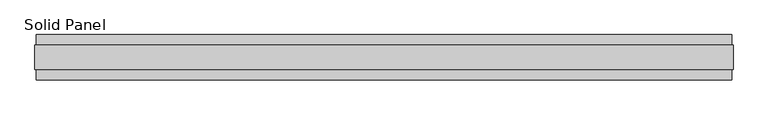
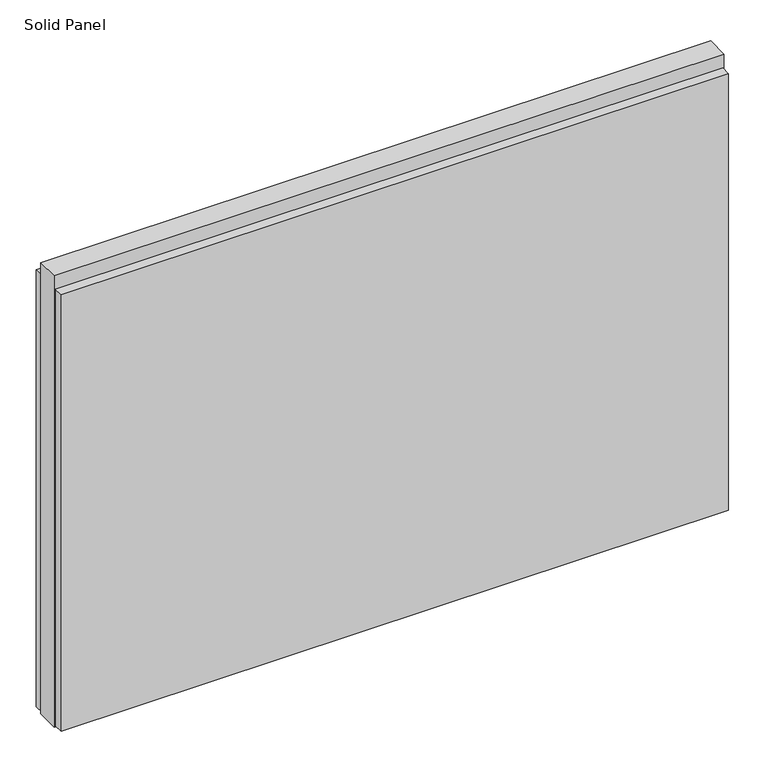
"""IFC4 building model written with IfcOpenShell, lengths in millimetres: plate geometry, Solid Panel."""

from ifc_helpers import new_model, si_unit, frame, origin, origin_with_axes, place, context, project, spatial, polyline, outline, extrude, source, transform, mapped, element, save


def solid_panel_143ee2f4(model_context):
    return source(origin(), model_context, "Body", "SweptSolid", [
        extrude(outline(polyline([(746.3028, -48.4531867), (-746.3028, -48.4531867), (-746.3028, -25.9961), (746.3028, -25.9961), (746.3028, -48.4531867)])), frame((0.0, 0.0, 3.0099), z_axis=(0.0, 0.0, 1.0), x_axis=(1.0, 0.0, 0.0)), (0.0, 0.0, 1.0), 1031.7861),
        extrude(outline(polyline([(746.3028, 25.9977), (-746.3028, 25.9977), (-746.3028, 48.4547867), (746.3028, 48.4547867), (746.3028, 25.9977)])), frame((0.0, 0.0, 3.0099), z_axis=(0.0, 0.0, 1.0), x_axis=(1.0, 0.0, 0.0)), (0.0, 0.0, 1.0), 1031.7861),
        extrude(outline(polyline([(749.3, -25.9961), (-749.3, -25.9961), (-749.3, 25.9977), (749.3, 25.9977), (749.3, -25.9961)])), origin_with_axes(), (0.0, 0.0, 1.0), 1066.8),
    ])


if __name__ == "__main__":
    model = new_model("IFC4")
    model_context = context("Model", 3, world=origin())
    ifc_project = project(units=[si_unit("LENGTHUNIT", "METRE", prefix="MILLI")], contexts=[model_context])
    site = spatial("IfcSite", under=ifc_project)
    building = spatial("IfcBuilding", under=site)
    placement = place(None, origin())
    solid_panel_shape = solid_panel_143ee2f4(model_context)
    element("IfcPlate", 1, ObjectType="Solid Panel", at=placement, inside=building, context=model_context, shape_type="MappedRepresentation", body=[
        mapped(solid_panel_shape, transform((0.0, 0.0, 0.0), x_axis=(1.0, 0.0, 0.0), y_axis=(0.0, 1.0, 0.0), z_axis=(0.0, 0.0, 1.0))),
    ])
    save(model, "model.ifc")
